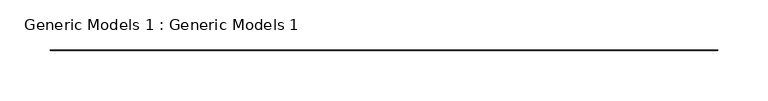
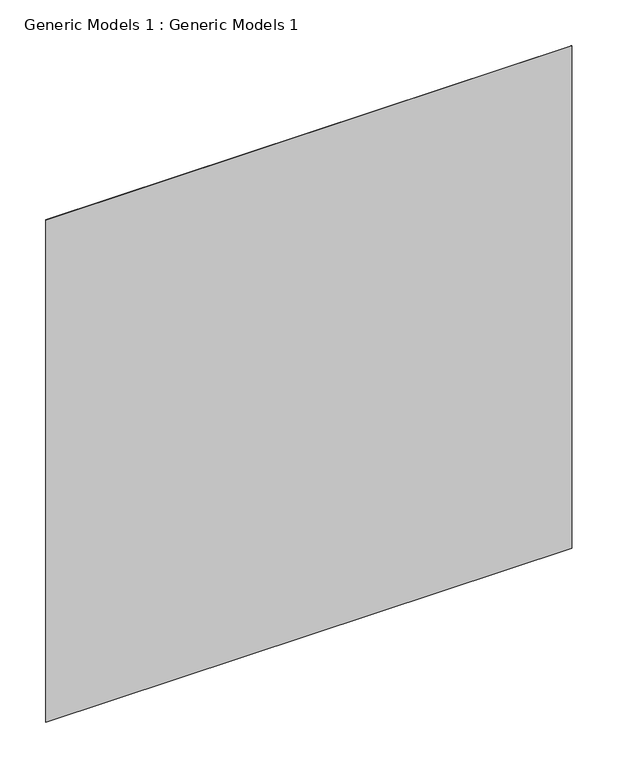
"""IFC4 building model written with IfcOpenShell, lengths in millimetres: proxy geometry, Generic Models 1 : Generic Models 1."""

from ifc_helpers import new_model, si_unit, frame, origin, place, context, project, spatial, polyline, outline, extrude, source, transform, mapped, element, save


def generic_models_1_generic_models_1_dc83d206(model_context):
    return source(origin(), model_context, "Body", "SweptSolid", [
        extrude(outline(polyline([(-6506.7267622, 7452.5100772), (-7173.4767622, 7452.5100772), (-7173.4767622, 7453.2340714), (-6506.7267622, 7453.2340714), (-6506.7267622, 7452.5100772)])), frame((0.0, 0.0, 1765.325346), z_axis=(0.0, 0.0, 1.0), x_axis=(1.0, 0.0, 0.0)), (0.0, 0.0, 1.0), 673.1),
    ])


if __name__ == "__main__":
    model = new_model("IFC4")
    model_context = context("Model", 3, world=origin())
    ifc_project = project(units=[si_unit("LENGTHUNIT", "METRE", prefix="MILLI")], contexts=[model_context])
    site = spatial("IfcSite", under=ifc_project)
    building = spatial("IfcBuilding", under=site)
    placement = place(None, origin())
    generic_models_1_generic_models_1_shape = generic_models_1_generic_models_1_dc83d206(model_context)
    element("IfcBuildingElementProxy", 1, Name="Generic Models 1 : Generic Models 1", ObjectType="Generic Models 1 : Generic Models 1", at=placement, inside=building, context=model_context, shape_type="MappedRepresentation", body=[
        mapped(generic_models_1_generic_models_1_shape, transform((0.0, 0.0, 0.0), x_axis=(1.0, 0.0, 0.0), y_axis=(0.0, 1.0, 0.0), z_axis=(0.0, 0.0, 1.0))),
    ])
    save(model, "model.ifc")
